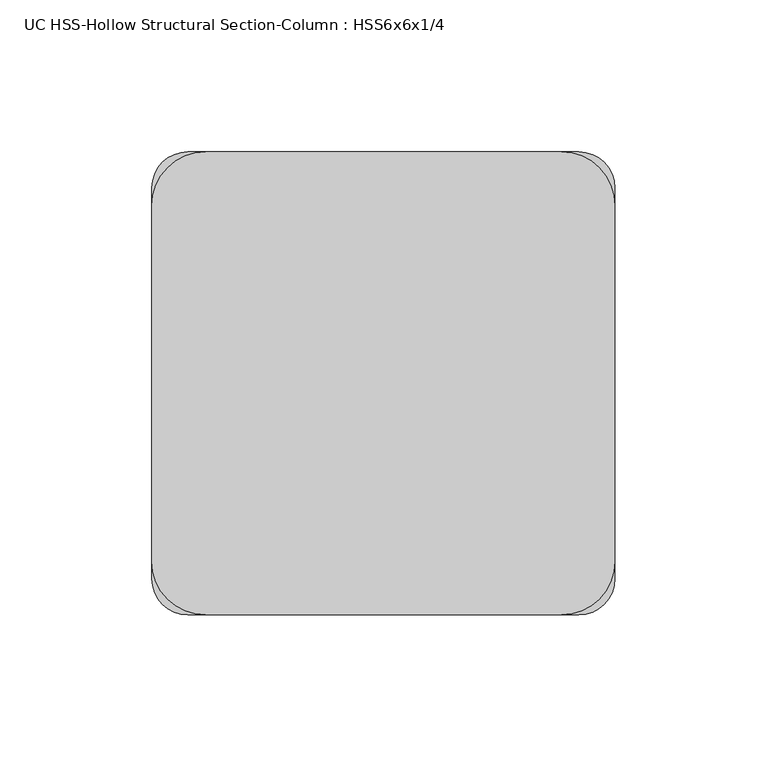
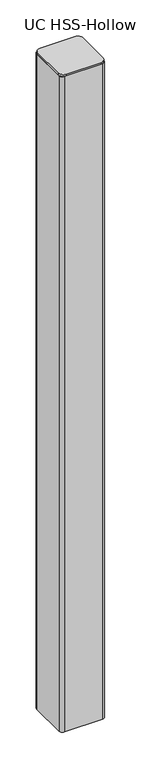
"""IFC4 building model written with IfcOpenShell, lengths in millimetres: column geometry, UC HSS-Hollow Structural Section-Column : HSS6x6x1/4."""

from ifc_helpers import new_model, si_unit, point, frame, frame_2d, origin, place, context, project, spatial, polyline, circle_curve, trimmed, segment, composite_curve, outline, extrude, source, transform, mapped, element, save


def uc_hss_hollow_structural_section_column_hss6x6x1_4_6164f8a5(model_context):
    return source(origin(), model_context, "Body", "SweptSolid", [
        extrude(outline(composite_curve([segment(trimmed(circle_curve(frame_2d((-58.5390625, 58.5390625)), 17.6609375), [point((-76.2, 58.5390625))], [point((-58.5390625, 76.2))], False, "CARTESIAN"), True, "CONTINUOUS"), segment(polyline([(-58.5390625, 76.2), (58.5390625, 76.2)]), True, "CONTINUOUS"), segment(trimmed(circle_curve(frame_2d((58.5390625, 58.5390625)), 17.6609375), [point((58.5390625, 76.2))], [point((76.2, 58.5390625))], False, "CARTESIAN"), True, "CONTINUOUS"), segment(polyline([(76.2, 58.5390625), (76.2, -58.5390625)]), True, "CONTINUOUS"), segment(trimmed(circle_curve(frame_2d((58.5390625, -58.5390625)), 17.6609375), [point((76.2, -58.5390625))], [point((58.5390625, -76.2))], False, "CARTESIAN"), True, "CONTINUOUS"), segment(polyline([(58.5390625, -76.2), (-58.5390625, -76.2)]), True, "CONTINUOUS"), segment(trimmed(circle_curve(frame_2d((-58.5390625, -58.5390625)), 17.6609375), [point((-58.5390625, -76.2))], [point((-76.2, -58.5390625))], False, "CARTESIAN"), True, "CONTINUOUS"), segment(polyline([(-76.2, -58.5390625), (-76.2, 58.5390625)]), True, "CONTINUOUS")], self_intersect=False)), frame((0.0, 0.0, 8347.6703125), z_axis=(0.0, 0.0, 1.0), x_axis=(1.0, 0.0, 0.0)), (0.0, 0.0, 1.0), 6.35),
        extrude(outline(composite_curve([segment(trimmed(circle_curve(frame_2d((64.3636, 64.3636)), 11.8364), [point((64.3636, 76.2))], [point((76.2, 64.3636))], False, "CARTESIAN"), True, "CONTINUOUS"), segment(polyline([(76.2, 64.3636), (76.2, -64.3636)]), True, "CONTINUOUS"), segment(trimmed(circle_curve(frame_2d((64.3636, -64.3636)), 11.8364), [point((76.2, -64.3636))], [point((64.3636, -76.2))], False, "CARTESIAN"), True, "CONTINUOUS"), segment(polyline([(64.3636, -76.2), (-64.3636, -76.2)]), True, "CONTINUOUS"), segment(trimmed(circle_curve(frame_2d((-64.3636, -64.3636)), 11.8364), [point((-64.3636, -76.2))], [point((-76.2, -64.3636))], False, "CARTESIAN"), True, "CONTINUOUS"), segment(polyline([(-76.2, -64.3636), (-76.2, 64.3636)]), True, "CONTINUOUS"), segment(trimmed(circle_curve(frame_2d((-64.3636, 64.3636)), 11.8364), [point((-76.2, 64.3636))], [point((-64.3636, 76.2))], False, "CARTESIAN"), True, "CONTINUOUS"), segment(polyline([(-64.3636, 76.2), (64.3636, 76.2)]), True, "CONTINUOUS")], self_intersect=False), holes=[composite_curve([segment(polyline([(64.3636, 70.2818), (-64.3636, 70.2818)]), True, "CONTINUOUS"), segment(trimmed(circle_curve(frame_2d((-64.3636, 64.3636)), 5.9182), [point((-64.3636, 70.2818))], [point((-70.2818, 64.3636))], True, "CARTESIAN"), True, "CONTINUOUS"), segment(polyline([(-70.2818, 64.3636), (-70.2818, -64.3636)]), True, "CONTINUOUS"), segment(trimmed(circle_curve(frame_2d((-64.3636, -64.3636)), 5.9182), [point((-70.2818, -64.3636))], [point((-64.3636, -70.2818))], True, "CARTESIAN"), True, "CONTINUOUS"), segment(polyline([(-64.3636, -70.2818), (64.3636, -70.2818)]), True, "CONTINUOUS"), segment(trimmed(circle_curve(frame_2d((64.3636, -64.3636)), 5.9182), [point((64.3636, -70.2818))], [point((70.2818, -64.3636))], True, "CARTESIAN"), True, "CONTINUOUS"), segment(polyline([(70.2818, -64.3636), (70.2818, 64.3636)]), True, "CONTINUOUS"), segment(trimmed(circle_curve(frame_2d((64.3636, 64.3636)), 5.9182), [point((70.2818, 64.3636))], [point((64.3636, 70.2818))], True, "CARTESIAN"), True, "CONTINUOUS")], self_intersect=False)]), frame((0.0, 0.0, 6014.8390625), z_axis=(0.0, 0.0, 1.0), x_axis=(1.0, 0.0, 0.0)), (0.0, 0.0, 1.0), 2332.83125),
    ])


if __name__ == "__main__":
    model = new_model("IFC4")
    model_context = context("Model", 3, world=origin())
    ifc_project = project(units=[si_unit("LENGTHUNIT", "METRE", prefix="MILLI")], contexts=[model_context])
    site = spatial("IfcSite", under=ifc_project)
    building = spatial("IfcBuilding", under=site)
    placement = place(None, origin())
    uc_hss_hollow_structural_section_column_hss6x6x1_4_shape = uc_hss_hollow_structural_section_column_hss6x6x1_4_6164f8a5(model_context)
    element("IfcColumn", 1, ObjectType="UC HSS-Hollow Structural Section-Column : HSS6x6x1/4", at=placement, inside=building, context=model_context, shape_type="MappedRepresentation", body=[
        mapped(uc_hss_hollow_structural_section_column_hss6x6x1_4_shape, transform((0.0, 0.0, 0.0), x_axis=(1.0, 0.0, 0.0), y_axis=(0.0, 1.0, 0.0), z_axis=(0.0, 0.0, 1.0))),
    ])
    save(model, "model.ifc")
